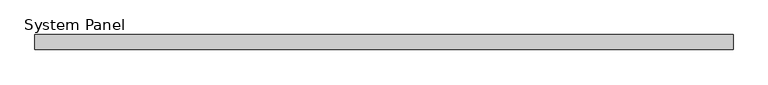
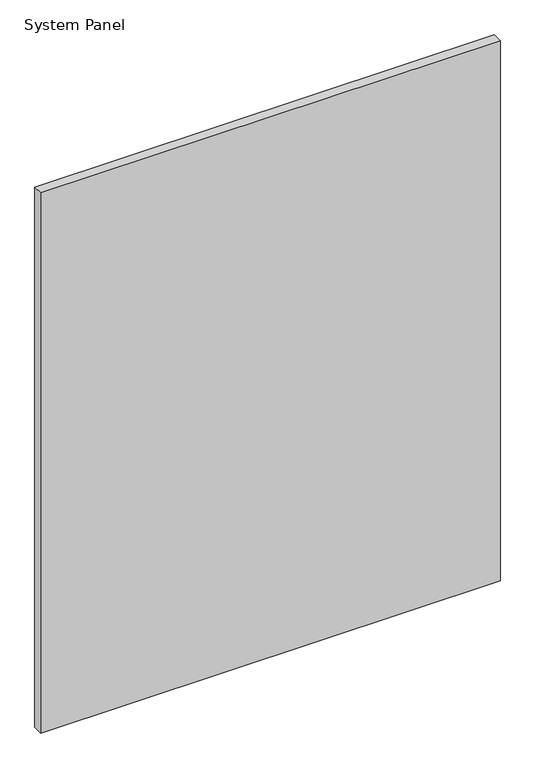
"""IFC4 building model written with IfcOpenShell, lengths in millimetres: plate geometry, System Panel."""

from ifc_helpers import new_model, si_unit, origin, origin_with_axes, place, context, project, spatial, polyline, outline, extrude, source, transform, mapped, element, save


def system_panel_eea2fa42(model_context):
    return source(origin(), model_context, "Body", "SweptSolid", [
        extrude(outline(polyline([(587.3769862, -0.85), (-587.3769862, -0.85), (-587.3769862, 24.45), (587.3769862, 24.45), (587.3769862, -0.85)])), origin_with_axes(), (0.0, 0.0, 1.0), 1458.8871),
    ])


if __name__ == "__main__":
    model = new_model("IFC4")
    model_context = context("Model", 3, world=origin())
    ifc_project = project(units=[si_unit("LENGTHUNIT", "METRE", prefix="MILLI")], contexts=[model_context])
    site = spatial("IfcSite", under=ifc_project)
    building = spatial("IfcBuilding", under=site)
    placement = place(None, origin())
    system_panel_shape = system_panel_eea2fa42(model_context)
    element("IfcPlate", 1, ObjectType="System Panel", at=placement, inside=building, context=model_context, shape_type="MappedRepresentation", body=[
        mapped(system_panel_shape, transform((0.0, 0.0, 0.0), x_axis=(1.0, 0.0, 0.0), y_axis=(0.0, 1.0, 0.0), z_axis=(0.0, 0.0, 1.0))),
    ])
    save(model, "model.ifc")
